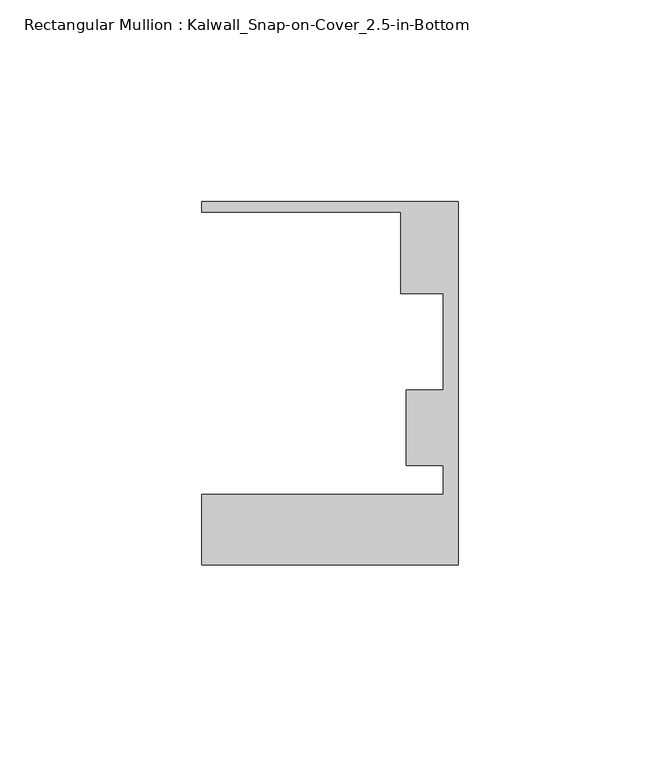
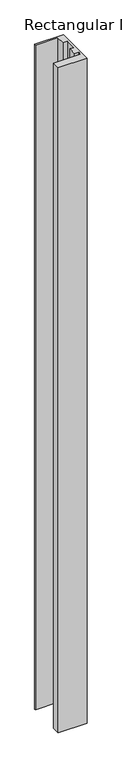
"""IFC4 building model written with IfcOpenShell, lengths in millimetres: member geometry, Rectangular Mullion : Kalwall_Snap-on-Cover_2.5-in-Bottom."""

from ifc_helpers import new_model, si_unit, frame, origin, place, context, project, spatial, polyline, outline, extrude, source, transform, mapped, element, save


def rectangular_mullion_kalwall_snap_on_cover_2_5_in_bottom_5cb70246(model_context):
    return source(origin(), model_context, "Body", "SweptSolid", [
        extrude(outline(polyline([(0.0, -52.5001386), (-63.5, -52.5001386), (-63.5, -35.0376386), (-3.7084, -35.0376386), (-3.7084, -27.8888568), (-12.8272539, -27.8888568), (-12.8272539, -9.1879886), (-3.7084, -9.1879886), (-3.7084, 14.7439614), (-14.1732, 14.7439614), (-14.1732, 34.9623614), (-63.5, 34.9623614), (-63.5, 37.5023614), (0.0, 37.5023614), (0.0, -52.5001386)])), frame((0.0, 0.0, -1552.971875), z_axis=(0.0, 0.0, 1.0), x_axis=(1.0, 0.0, 0.0)), (0.0, 0.0, 1.0), 1552.971875),
    ])


if __name__ == "__main__":
    model = new_model("IFC4")
    model_context = context("Model", 3, world=origin())
    ifc_project = project(units=[si_unit("LENGTHUNIT", "METRE", prefix="MILLI")], contexts=[model_context])
    site = spatial("IfcSite", under=ifc_project)
    building = spatial("IfcBuilding", under=site)
    placement = place(None, origin())
    rectangular_mullion_kalwall_snap_on_cover_2_5_in_bottom_shape = rectangular_mullion_kalwall_snap_on_cover_2_5_in_bottom_5cb70246(model_context)
    element("IfcMember", 1, ObjectType="Rectangular Mullion : Kalwall_Snap-on-Cover_2.5-in-Bottom", at=placement, inside=building, context=model_context, shape_type="MappedRepresentation", body=[
        mapped(rectangular_mullion_kalwall_snap_on_cover_2_5_in_bottom_shape, transform((0.0, 0.0, 0.0), x_axis=(1.0, 0.0, 0.0), y_axis=(0.0, 1.0, 0.0), z_axis=(0.0, 0.0, 1.0))),
    ])
    save(model, "model.ifc")
